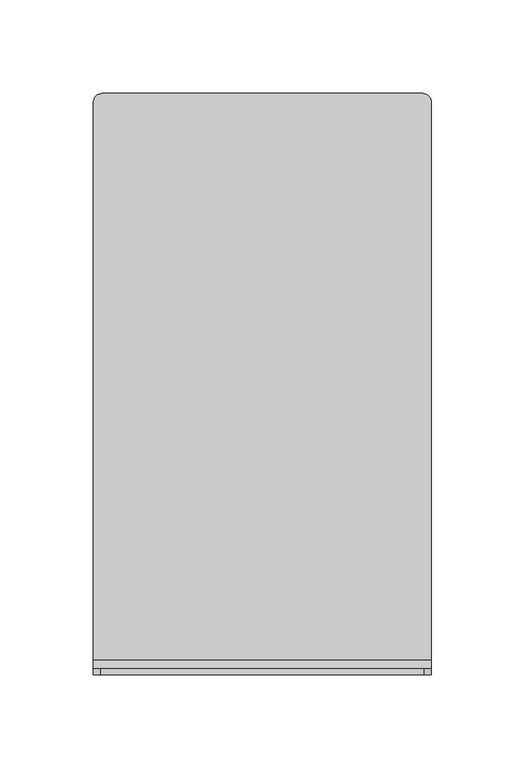
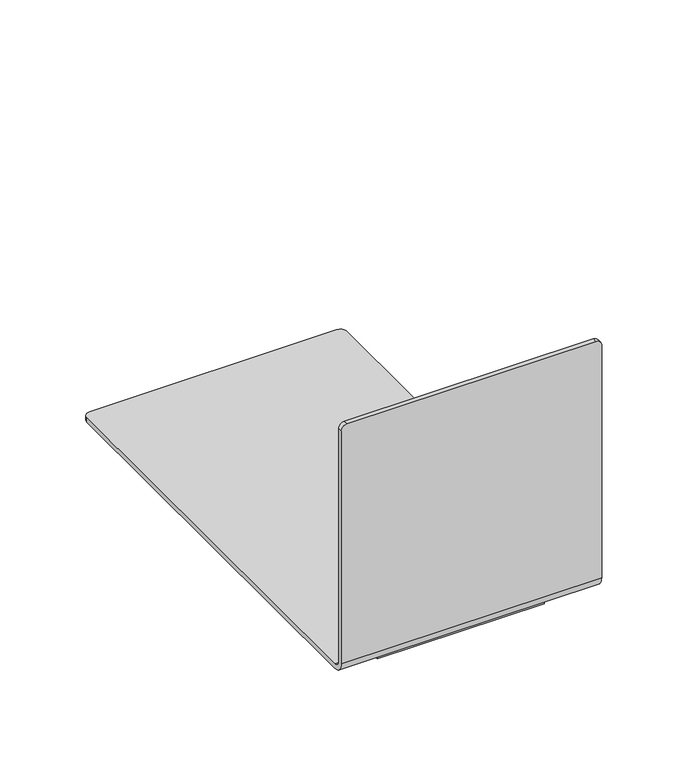
"""IFC4 building model written with IfcOpenShell, lengths in millimetres: furniture geometry."""

import ifcopenshell
import ifcopenshell.guid

model = None  # the IFC model being written
_history = None  # IfcOwnerHistory: only IFC2X3 demands one
_inside = {}  # id of a spatial element -> (the spatial element, [elements in it])
_under = {}  # id of a project, library or spatial element -> (it, [spatial elements below it])
_declared = {}  # id of a project -> (the project, [libraries it declares])
_typed = {}  # id of a type object -> (the type object, [elements of that type])
_made_of = {}  # id of a material, layer set ... -> (it, [elements and type objects made of it])


def new_model(schema):
    """Start an empty IFC model of exactly this schema.

    Asked for "IFC4X3", IfcOpenShell would pick the latest addendum, in which some entities
    have other attributes; the version numbers below select the first issue.
    IFC2X3 requires an IfcOwnerHistory on every rooted entity: one is made here for all.
    """
    global model, _history
    if schema == "IFC4X3":
        model = ifcopenshell.file(schema_version=(4, 3, 0, 0))
    else:
        model = ifcopenshell.file(schema=schema)
    _inside.clear()
    _under.clear()
    _declared.clear()
    _typed.clear()
    _made_of.clear()
    _history = None
    if model.schema == "IFC2X3":
        org = make("IfcOrganization", Name="unknown")
        user = make(
            "IfcPersonAndOrganization",
            ThePerson=make("IfcPerson", FamilyName="unknown"),
            TheOrganization=org,
        )
        app = make(
            "IfcApplication",
            ApplicationDeveloper=org,
            Version="unknown",
            ApplicationFullName="unknown",
            ApplicationIdentifier="unknown",
        )
        _history = make(
            "IfcOwnerHistory",
            OwningUser=user,
            OwningApplication=app,
            ChangeAction="ADDED",
            CreationDate=0,
        )
    return model


def make(cls, **values):
    """One entity of the class cls with the attributes given. An attribute that is None is left unset."""
    return model.create_entity(
        cls, **{name: value for name, value in values.items() if value is not None}
    )


def rooted(cls, **values):
    """An entity with a GlobalId (a new one), such as an element, a storey or a relation."""
    return make(cls, GlobalId=ifcopenshell.guid.new(), OwnerHistory=_history, **values)


def si_unit(unit_type, name, prefix=None):
    """IfcSIUnit, for example si_unit("LENGTHUNIT", "METRE", prefix="MILLI")."""
    return make("IfcSIUnit", UnitType=unit_type, Prefix=prefix, Name=name)


def assignment(units):
    """IfcUnitAssignment: the units of a project."""
    return None if units is None else make("IfcUnitAssignment", Units=units)


def point(xyz):
    """IfcCartesianPoint."""
    return None if xyz is None else make("IfcCartesianPoint", Coordinates=xyz)


def direction(xyz):
    """IfcDirection."""
    return None if xyz is None else make("IfcDirection", DirectionRatios=xyz)


def frame(location, z_axis=None, x_axis=None):
    """IfcAxis2Placement3D, a coordinate frame: its origin and axes. An axis left out is left unset."""
    return make(
        "IfcAxis2Placement3D",
        Location=point(location),
        Axis=direction(z_axis),
        RefDirection=direction(x_axis),
    )


def origin():
    """The frame at (0, 0, 0) with its axes left unset."""
    return frame((0.0, 0.0, 0.0))


def origin_with_axes():
    """The frame at (0, 0, 0) with the z axis (0, 0, 1) and the x axis (1, 0, 0) written out."""
    return frame((0.0, 0.0, 0.0), z_axis=(0.0, 0.0, 1.0), x_axis=(1.0, 0.0, 0.0))


def place(relative_to, where):
    """IfcLocalPlacement: puts the frame where relative to a parent placement (None: the world)."""
    return make(
        "IfcLocalPlacement", PlacementRelTo=relative_to, RelativePlacement=where
    )


def context(
    kind, dimensions, precision=None, world=None, true_north=None, identifier=None
):
    """IfcGeometricRepresentationContext, for example the 3D "Model" context."""
    return make(
        "IfcGeometricRepresentationContext",
        ContextIdentifier=identifier,
        ContextType=kind,
        CoordinateSpaceDimension=dimensions,
        Precision=precision,
        WorldCoordinateSystem=world,
        TrueNorth=true_north,
    )


def project(units=None, contexts=None):
    """IfcProject with its units and contexts."""
    return rooted(
        "IfcProject",
        Name="project",
        RepresentationContexts=contexts,
        UnitsInContext=assignment(units),
    )


def spatial(cls, under=None, at=None, **own):
    """A site, building, storey or space (cls), placed at a placement, below another one or the project."""
    s = rooted(cls, ObjectPlacement=at, **own)
    if under is not None:
        _under.setdefault(under.id(), (under, []))[1].append(s)
    return s


def polyline(points):
    """IfcPolyline through the points."""
    return make("IfcPolyline", Points=[point(p) for p in points])


def circle_curve(where, radius):
    """IfcCircle in the frame where."""
    return make("IfcCircle", Position=where, Radius=radius)


def outline(outer, holes=None, kind="AREA"):
    """IfcArbitraryClosedProfileDef: a profile drawn as a closed curve; with holes, ...WithVoids."""
    if holes is None:
        return make("IfcArbitraryClosedProfileDef", ProfileType=kind, OuterCurve=outer)
    return make(
        "IfcArbitraryProfileDefWithVoids",
        ProfileType=kind,
        OuterCurve=outer,
        InnerCurves=holes,
    )


def extrude(swept, where, along, depth):
    """IfcExtrudedAreaSolid: the profile swept, set in the frame where, extruded along a direction by depth."""
    return make(
        "IfcExtrudedAreaSolid",
        SweptArea=swept,
        Position=where,
        ExtrudedDirection=direction(along),
        Depth=depth,
    )


def shape(context_of_items, identifier, shape_type, items):
    """IfcShapeRepresentation: the items that make up one representation, for example the "Body"."""
    return make(
        "IfcShapeRepresentation",
        ContextOfItems=context_of_items,
        RepresentationIdentifier=identifier,
        RepresentationType=shape_type,
        Items=items,
    )


def source(mapping_origin, context_of_items, identifier, shape_type, items):
    """IfcRepresentationMap: a shape defined once, which mapped items show again and again."""
    return make(
        "IfcRepresentationMap",
        MappingOrigin=mapping_origin,
        MappedRepresentation=shape(context_of_items, identifier, shape_type, items),
    )


def transform(
    local_origin,
    x_axis=None,
    y_axis=None,
    z_axis=None,
    scale=None,
    scale2=None,
    scale3=None,
    uniform=True,
):
    """IfcCartesianTransformationOperator3D, or its non-uniform kind. x_axis, y_axis, z_axis: its Axis1, 2, 3."""
    if uniform:
        return make(
            "IfcCartesianTransformationOperator3D",
            Axis1=direction(x_axis),
            Axis2=direction(y_axis),
            LocalOrigin=point(local_origin),
            Scale=scale,
            Axis3=direction(z_axis),
        )
    return make(
        "IfcCartesianTransformationOperator3DnonUniform",
        Axis1=direction(x_axis),
        Axis2=direction(y_axis),
        LocalOrigin=point(local_origin),
        Scale=scale,
        Axis3=direction(z_axis),
        Scale2=scale2,
        Scale3=scale3,
    )


def mapped(mapping_source, mapping_target):
    """IfcMappedItem: shows the shape of a source again, moved by a transform."""
    return make(
        "IfcMappedItem", MappingSource=mapping_source, MappingTarget=mapping_target
    )


def made_of(thing, what):
    """Note that an element or type object is made of a material, layer set ...; save() writes the relation."""
    if what is not None:
        _made_of.setdefault(what.id(), (what, []))[1].append(thing)
    return thing


def element(
    cls,
    number,
    at=None,
    inside=None,
    cuts=None,
    type_object=None,
    material=None,
    context=None,
    identifier="Body",
    shape_type=None,
    held_by="IfcProductDefinitionShape",
    body=None,
    shapes=None,
    **own,
):
    """One element of the class cls, such as IfcWall. Its Tag is "e" and its number.

    at: its placement. inside: the storey or other place that contains it. cuts: it is an
    opening in that element (IfcRelVoidsElement). A single representation is given by context,
    identifier, shape_type and body (its items); several are given by shapes. held_by: the class
    of the entity that holds the representations. save() writes the other relations.
    """
    e = rooted(cls, Tag="e%d" % number, ObjectPlacement=at, **own)
    if body is not None:
        shapes = [shape(context, identifier, shape_type, body)]
    if shapes is not None:
        e.Representation = make(held_by, Representations=shapes)
    if inside is not None:
        _inside.setdefault(inside.id(), (inside, []))[1].append(e)
    if cuts is not None:
        rooted(
            "IfcRelVoidsElement", RelatingBuildingElement=cuts, RelatedOpeningElement=e
        )
    if type_object is not None:
        _typed.setdefault(type_object.id(), (type_object, []))[1].append(e)
    return made_of(e, material)


def aggregate(whole, parts):
    """IfcRelAggregates: a whole, such as a stair, and the parts it consists of."""
    return rooted("IfcRelAggregates", RelatingObject=whole, RelatedObjects=parts)


def save(model, path):
    """Write the relations noted so far, then the file.

    IfcRelAggregates (storeys below a building ...), IfcRelContainedInSpatialStructure (elements
    in a storey), IfcRelDefinesByType, IfcRelAssociatesMaterial and IfcRelDeclares: one each for
    every whole, place, type object, material and project.
    """
    for whole, parts in _under.values():
        aggregate(whole, parts)
    for where, things in _inside.values():
        rooted(
            "IfcRelContainedInSpatialStructure",
            RelatedElements=things,
            RelatingStructure=where,
        )
    for kind, things in _typed.values():
        rooted("IfcRelDefinesByType", RelatedObjects=things, RelatingType=kind)
    for what, things in _made_of.values():
        rooted("IfcRelAssociatesMaterial", RelatedObjects=things, RelatingMaterial=what)
    for by, libraries in _declared.values():
        rooted("IfcRelDeclares", RelatingContext=by, RelatedDefinitions=libraries)
    model.write(path)


def plane_surface(at):
    """IfcPlane: the flat surface through the origin of the frame at, square to its z axis."""
    return make("IfcPlane", Position=at)


def cylinder_surface(at, radius):
    """IfcCylindricalSurface: all points at the distance radius from the z axis of the frame at."""
    return make("IfcCylindricalSurface", Position=at, Radius=radius)


def revolved_surface(curve, axis_point, axis_direction):
    """IfcSurfaceOfRevolution: the curve turned about the line through axis_point along axis_direction."""
    return make(
        "IfcSurfaceOfRevolution",
        SweptCurve=make("IfcArbitraryOpenProfileDef", ProfileType="CURVE", Curve=curve),
        AxisPosition=make("IfcAxis1Placement", Location=point(axis_point), Axis=direction(axis_direction)),
    )


def advanced_brep(points, edges, surfaces, faces):
    """IfcAdvancedBrep: a solid bounded by faces that lie on surfaces and meet in shared edges.

    An edge is (start, end): straight between two places in points (the first is 0);
    or (start, end, curve); or (start, end, curve, False) where it runs against its curve.
    A face is (place in surfaces, loops), or (place, loops, False) where it looks against
    its surface's normal. A loop lists edges by number (the first is 1), with a minus sign
    where the edge is run from its end to its start. The first loop is the outer one.
    """
    corners = [point(p) for p in points]
    vertices = [make("IfcVertexPoint", VertexGeometry=c) for c in corners]
    made = []
    for start, end, *more in edges:
        made.append(
            make(
                "IfcEdgeCurve",
                EdgeStart=vertices[start],
                EdgeEnd=vertices[end],
                EdgeGeometry=more[0] if more else make("IfcPolyline", Points=[corners[start], corners[end]]),
                SameSense=more[1] if len(more) > 1 else True,
            )
        )
    hull = []
    for where, loops, *sense in faces:
        bounds = []
        for j, loop in enumerate(loops):
            ring = [make("IfcOrientedEdge", EdgeElement=made[abs(k) - 1], Orientation=k > 0) for k in loop]
            bounds.append(
                make(
                    "IfcFaceOuterBound" if j == 0 else "IfcFaceBound",
                    Bound=make("IfcEdgeLoop", EdgeList=ring),
                    Orientation=True,
                )
            )
        hull.append(make("IfcAdvancedFace", Bounds=bounds, FaceSurface=surfaces[where], SameSense=sense[0] if sense else True))
    return make("IfcAdvancedBrep", Outer=make("IfcClosedShell", CfsFaces=hull))


def furniture_1e4be55b(model_context):
    return source(origin(), model_context, "Body", "SolidModel", [
        extrude(outline(polyline([(57.9999277, -40.0757273), (57.9999277, -142.5755028), (-57.9999277, -142.5755028), (-57.9999277, -40.0757273), (57.9999277, -40.0757273)])), origin_with_axes(), (0.0, 0.0, 1.0), 7.4999845),
        advanced_brep(
        [(90.4875, -147.6375, 10.6749845), (90.4875, -152.4, 15.4374845), (90.4875, -152.4, 186.53125), (90.4875, -155.575, 186.53125), (90.4875, -155.575, 15.4374845), (90.4875, -147.6375, 7.4999845), (90.4875, 150.8125, 7.4999845), (90.4875, 150.8125, 10.6749845), (-90.4875, -147.6375, 7.4999845), (-90.4875, -155.575, 15.4374845), (-90.4875, -155.575, 186.4884611), (-90.4875, -152.4, 186.4884611), (-90.4875, -152.4, 15.4374845), (-90.4875, -147.6375, 10.6749845), (-90.4875, 150.8125, 10.6749845), (-90.4875, 150.8125, 7.4999845), (-85.725, 155.575, 7.4999845), (85.725, 155.575, 7.4999845), (85.725, 155.575, 10.6749845), (-85.725, 155.575, 10.6749845), (-86.4759611, -152.4, 190.5), (86.51875, -152.4, 190.5), (86.51875, -155.575, 190.5), (-86.4759611, -155.575, 190.5)],
        [
            (0, 1, circle_curve(frame((90.4875, -147.6375, 15.4374845), z_axis=(-1.0, 0.0, 0.0), x_axis=(0.0, 1.0, 0.0)), 4.7625)),
            (1, 2),
            (2, 3),
            (3, 4),
            (4, 5, circle_curve(frame((90.4875, -147.6375, 15.4374845), z_axis=(1.0, 0.0, 0.0), x_axis=(0.0, 1.0, 0.0)), 7.9375)),
            (5, 6),
            (6, 7),
            (7, 0),
            (8, 9, circle_curve(frame((-90.4875, -147.6375, 15.4374845), z_axis=(-1.0, 0.0, 0.0), x_axis=(0.0, 1.0, 0.0)), 7.9375)),
            (9, 10),
            (10, 11),
            (11, 12),
            (12, 13, circle_curve(frame((-90.4875, -147.6375, 15.4374845), z_axis=(1.0, 0.0, 0.0), x_axis=(0.0, 1.0, 0.0)), 4.7625)),
            (13, 14),
            (14, 15),
            (15, 8),
            (5, 8),
            (15, 16, circle_curve(frame((-85.725, 150.8125, 7.4999845), z_axis=(0.0, 0.0, -1.0), x_axis=(1.0, 0.0, 0.0)), 4.7625)),
            (16, 17),
            (17, 6, circle_curve(frame((85.725, 150.8125, 7.4999845), z_axis=(0.0, 0.0, -1.0), x_axis=(1.0, 0.0, 0.0)), 4.7625)),
            (13, 0),
            (7, 18, circle_curve(frame((85.725, 150.8125, 10.6749845), z_axis=(0.0, 0.0, 1.0), x_axis=(1.0, 0.0, 0.0)), 4.7625)),
            (18, 19),
            (19, 14, circle_curve(frame((-85.725, 150.8125, 10.6749845), z_axis=(0.0, 0.0, 1.0), x_axis=(1.0, 0.0, 0.0)), 4.7625)),
            (12, 1),
            (11, 20, circle_curve(frame((-86.4759611, -152.4, 186.4884611), z_axis=(0.0, 1.0, 0.0), x_axis=(1.0, 0.0, 0.0)), 4.0115389)),
            (20, 21),
            (21, 2, circle_curve(frame((86.51875, -152.4, 186.53125), z_axis=(0.0, 1.0, 0.0), x_axis=(1.0, 0.0, 0.0)), 3.96875)),
            (3, 22, circle_curve(frame((86.51875, -155.575, 186.53125), z_axis=(0.0, -1.0, 0.0), x_axis=(1.0, 0.0, 0.0)), 3.96875)),
            (22, 23),
            (23, 10, circle_curve(frame((-86.4759611, -155.575, 186.4884611), z_axis=(0.0, -1.0, 0.0), x_axis=(1.0, 0.0, 0.0)), 4.0115389)),
            (9, 4),
            (18, 17),
            (16, 19),
            (22, 21),
            (20, 23),
        ],
        [
            plane_surface(frame((90.4875, 147.4799115, 7.4999845), z_axis=(1.0, 0.0, 0.0), x_axis=(0.0, 1.0, 0.0))),
            plane_surface(frame((-90.4875, 147.4799115, 7.4999845), z_axis=(-1.0, 0.0, 0.0), x_axis=(0.0, -1.0, 0.0))),
            plane_surface(frame((90.4875, -147.6375, 7.4999845), z_axis=(0.0, 0.0, -1.0), x_axis=(-1.0, 0.0, 0.0))),
            plane_surface(frame((90.4875, 147.4799115, 10.6749845), z_axis=(0.0, 0.0, 1.0), x_axis=(-1.0, 0.0, 0.0))),
            revolved_surface(polyline([(-90.4875, -142.875, 15.4374845), (90.4875, -142.875, 15.4374845)]), (-90.4875, -147.6375, 15.4374845), (-1.0, 0.0, 0.0)),
            plane_surface(frame((90.4875, -152.4, 15.4374845), z_axis=(0.0, 1.0, 0.0), x_axis=(-1.0, 0.0, 0.0))),
            plane_surface(frame((90.4875, -155.575, 169.3020996), z_axis=(0.0, -1.0, 0.0), x_axis=(-1.0, 0.0, 0.0))),
            cylinder_surface(frame((-90.4875, -147.6375, 15.4374845), z_axis=(1.0, 0.0, 0.0), x_axis=(0.0, 1.0, 0.0)), 7.9375),
            plane_surface(frame((85.725, 155.575, 10.6749845), z_axis=(0.0, 1.0, 0.0), x_axis=(0.0, 0.0, -1.0))),
            cylinder_surface(frame((-85.725, 150.8125, 7.4999845), z_axis=(0.0, 0.0, 1.0), x_axis=(1.0, 0.0, 0.0)), 4.7625),
            cylinder_surface(frame((85.725, 150.8125, 7.4999845), z_axis=(0.0, 0.0, 1.0), x_axis=(1.0, 0.0, 0.0)), 4.7625),
            plane_surface(frame((86.51875, -155.575, 190.5), z_axis=(0.0, 0.0, 1.0), x_axis=(0.0, 1.0, 0.0))),
            cylinder_surface(frame((-86.4759611, -152.4, 186.4884611), z_axis=(0.0, -1.0, 0.0), x_axis=(1.0, 0.0, 0.0)), 4.0115389),
            cylinder_surface(frame((86.51875, -152.4, 186.53125), z_axis=(0.0, -1.0, 0.0), x_axis=(1.0, 0.0, 0.0)), 3.96875),
        ],
        [
            (0, [[1, 2, 3, 4, 5, 6, 7, 8]]),
            (1, [[9, 10, 11, 12, 13, 14, 15, 16]]),
            (2, [[17, -16, 18, 19, 20, -6]]),
            (3, [[21, -8, 22, 23, 24, -14]]),
            (4, [[-1, -21, -13, 25]]),
            (5, [[-2, -25, -12, 26, 27, 28]]),
            (6, [[-4, 29, 30, 31, -10, 32]]),
            (7, [[-5, -32, -9, -17]]),
            (8, [[-23, 33, -19, 34]]),
            (9, [[-24, -34, -18, -15]]),
            (10, [[-22, -7, -20, -33]]),
            (11, [[-30, 35, -27, 36]]),
            (12, [[-31, -36, -26, -11]]),
            (13, [[-29, -3, -28, -35]]),
        ],
    ),
    ])


if __name__ == "__main__":
    model = new_model("IFC4")
    model_context = context("Model", 3, world=origin())
    ifc_project = project(units=[si_unit("LENGTHUNIT", "METRE", prefix="MILLI")], contexts=[model_context])
    site = spatial("IfcSite", under=ifc_project)
    building = spatial("IfcBuilding", under=site)
    placement = place(None, origin())
    furniture_shape = furniture_1e4be55b(model_context)
    element("IfcFurniture", 1, at=placement, inside=building, context=model_context, shape_type="MappedRepresentation", body=[
        mapped(furniture_shape, transform((0.0, 0.0, 0.0), x_axis=(1.0, 0.0, 0.0), y_axis=(0.0, 1.0, 0.0), z_axis=(0.0, 0.0, 1.0))),
    ])
    save(model, "model.ifc")
